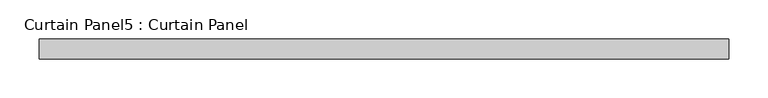
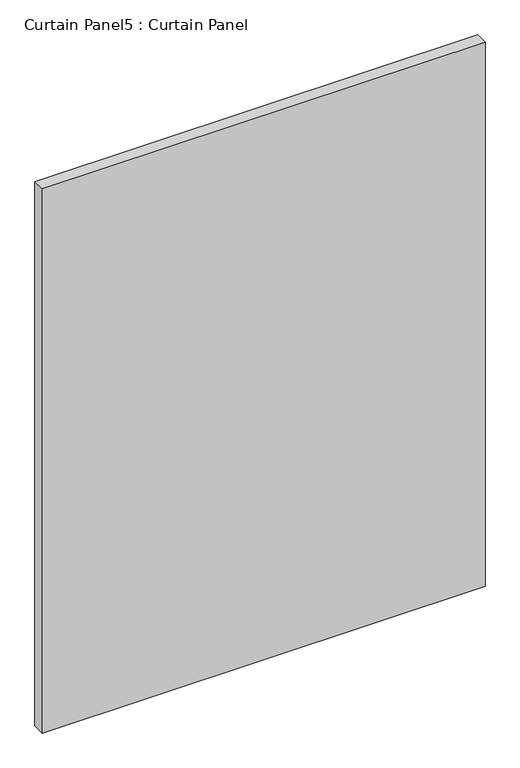
"""IFC4 building model written with IfcOpenShell, lengths in millimetres: plate geometry, Curtain Panel5 : Curtain Panel."""

import ifcopenshell
import ifcopenshell.guid

model = None  # the IFC model being written
_history = None  # IfcOwnerHistory: only IFC2X3 demands one
_inside = {}  # id of a spatial element -> (the spatial element, [elements in it])
_under = {}  # id of a project, library or spatial element -> (it, [spatial elements below it])
_declared = {}  # id of a project -> (the project, [libraries it declares])
_typed = {}  # id of a type object -> (the type object, [elements of that type])
_made_of = {}  # id of a material, layer set ... -> (it, [elements and type objects made of it])


def new_model(schema):
    """Start an empty IFC model of exactly this schema.

    Asked for "IFC4X3", IfcOpenShell would pick the latest addendum, in which some entities
    have other attributes; the version numbers below select the first issue.
    IFC2X3 requires an IfcOwnerHistory on every rooted entity: one is made here for all.
    """
    global model, _history
    if schema == "IFC4X3":
        model = ifcopenshell.file(schema_version=(4, 3, 0, 0))
    else:
        model = ifcopenshell.file(schema=schema)
    _inside.clear()
    _under.clear()
    _declared.clear()
    _typed.clear()
    _made_of.clear()
    _history = None
    if model.schema == "IFC2X3":
        org = make("IfcOrganization", Name="unknown")
        user = make(
            "IfcPersonAndOrganization",
            ThePerson=make("IfcPerson", FamilyName="unknown"),
            TheOrganization=org,
        )
        app = make(
            "IfcApplication",
            ApplicationDeveloper=org,
            Version="unknown",
            ApplicationFullName="unknown",
            ApplicationIdentifier="unknown",
        )
        _history = make(
            "IfcOwnerHistory",
            OwningUser=user,
            OwningApplication=app,
            ChangeAction="ADDED",
            CreationDate=0,
        )
    return model


def make(cls, **values):
    """One entity of the class cls with the attributes given. An attribute that is None is left unset."""
    return model.create_entity(
        cls, **{name: value for name, value in values.items() if value is not None}
    )


def rooted(cls, **values):
    """An entity with a GlobalId (a new one), such as an element, a storey or a relation."""
    return make(cls, GlobalId=ifcopenshell.guid.new(), OwnerHistory=_history, **values)


def si_unit(unit_type, name, prefix=None):
    """IfcSIUnit, for example si_unit("LENGTHUNIT", "METRE", prefix="MILLI")."""
    return make("IfcSIUnit", UnitType=unit_type, Prefix=prefix, Name=name)


def assignment(units):
    """IfcUnitAssignment: the units of a project."""
    return None if units is None else make("IfcUnitAssignment", Units=units)


def point(xyz):
    """IfcCartesianPoint."""
    return None if xyz is None else make("IfcCartesianPoint", Coordinates=xyz)


def direction(xyz):
    """IfcDirection."""
    return None if xyz is None else make("IfcDirection", DirectionRatios=xyz)


def frame(location, z_axis=None, x_axis=None):
    """IfcAxis2Placement3D, a coordinate frame: its origin and axes. An axis left out is left unset."""
    return make(
        "IfcAxis2Placement3D",
        Location=point(location),
        Axis=direction(z_axis),
        RefDirection=direction(x_axis),
    )


def origin():
    """The frame at (0, 0, 0) with its axes left unset."""
    return frame((0.0, 0.0, 0.0))


def place(relative_to, where):
    """IfcLocalPlacement: puts the frame where relative to a parent placement (None: the world)."""
    return make(
        "IfcLocalPlacement", PlacementRelTo=relative_to, RelativePlacement=where
    )


def context(
    kind, dimensions, precision=None, world=None, true_north=None, identifier=None
):
    """IfcGeometricRepresentationContext, for example the 3D "Model" context."""
    return make(
        "IfcGeometricRepresentationContext",
        ContextIdentifier=identifier,
        ContextType=kind,
        CoordinateSpaceDimension=dimensions,
        Precision=precision,
        WorldCoordinateSystem=world,
        TrueNorth=true_north,
    )


def project(units=None, contexts=None):
    """IfcProject with its units and contexts."""
    return rooted(
        "IfcProject",
        Name="project",
        RepresentationContexts=contexts,
        UnitsInContext=assignment(units),
    )


def spatial(cls, under=None, at=None, **own):
    """A site, building, storey or space (cls), placed at a placement, below another one or the project."""
    s = rooted(cls, ObjectPlacement=at, **own)
    if under is not None:
        _under.setdefault(under.id(), (under, []))[1].append(s)
    return s


def polyline(points):
    """IfcPolyline through the points."""
    return make("IfcPolyline", Points=[point(p) for p in points])


def outline(outer, holes=None, kind="AREA"):
    """IfcArbitraryClosedProfileDef: a profile drawn as a closed curve; with holes, ...WithVoids."""
    if holes is None:
        return make("IfcArbitraryClosedProfileDef", ProfileType=kind, OuterCurve=outer)
    return make(
        "IfcArbitraryProfileDefWithVoids",
        ProfileType=kind,
        OuterCurve=outer,
        InnerCurves=holes,
    )


def extrude(swept, where, along, depth):
    """IfcExtrudedAreaSolid: the profile swept, set in the frame where, extruded along a direction by depth."""
    return make(
        "IfcExtrudedAreaSolid",
        SweptArea=swept,
        Position=where,
        ExtrudedDirection=direction(along),
        Depth=depth,
    )


def shape(context_of_items, identifier, shape_type, items):
    """IfcShapeRepresentation: the items that make up one representation, for example the "Body"."""
    return make(
        "IfcShapeRepresentation",
        ContextOfItems=context_of_items,
        RepresentationIdentifier=identifier,
        RepresentationType=shape_type,
        Items=items,
    )


def source(mapping_origin, context_of_items, identifier, shape_type, items):
    """IfcRepresentationMap: a shape defined once, which mapped items show again and again."""
    return make(
        "IfcRepresentationMap",
        MappingOrigin=mapping_origin,
        MappedRepresentation=shape(context_of_items, identifier, shape_type, items),
    )


def transform(
    local_origin,
    x_axis=None,
    y_axis=None,
    z_axis=None,
    scale=None,
    scale2=None,
    scale3=None,
    uniform=True,
):
    """IfcCartesianTransformationOperator3D, or its non-uniform kind. x_axis, y_axis, z_axis: its Axis1, 2, 3."""
    if uniform:
        return make(
            "IfcCartesianTransformationOperator3D",
            Axis1=direction(x_axis),
            Axis2=direction(y_axis),
            LocalOrigin=point(local_origin),
            Scale=scale,
            Axis3=direction(z_axis),
        )
    return make(
        "IfcCartesianTransformationOperator3DnonUniform",
        Axis1=direction(x_axis),
        Axis2=direction(y_axis),
        LocalOrigin=point(local_origin),
        Scale=scale,
        Axis3=direction(z_axis),
        Scale2=scale2,
        Scale3=scale3,
    )


def mapped(mapping_source, mapping_target):
    """IfcMappedItem: shows the shape of a source again, moved by a transform."""
    return make(
        "IfcMappedItem", MappingSource=mapping_source, MappingTarget=mapping_target
    )


def made_of(thing, what):
    """Note that an element or type object is made of a material, layer set ...; save() writes the relation."""
    if what is not None:
        _made_of.setdefault(what.id(), (what, []))[1].append(thing)
    return thing


def element(
    cls,
    number,
    at=None,
    inside=None,
    cuts=None,
    type_object=None,
    material=None,
    context=None,
    identifier="Body",
    shape_type=None,
    held_by="IfcProductDefinitionShape",
    body=None,
    shapes=None,
    **own,
):
    """One element of the class cls, such as IfcWall. Its Tag is "e" and its number.

    at: its placement. inside: the storey or other place that contains it. cuts: it is an
    opening in that element (IfcRelVoidsElement). A single representation is given by context,
    identifier, shape_type and body (its items); several are given by shapes. held_by: the class
    of the entity that holds the representations. save() writes the other relations.
    """
    e = rooted(cls, Tag="e%d" % number, ObjectPlacement=at, **own)
    if body is not None:
        shapes = [shape(context, identifier, shape_type, body)]
    if shapes is not None:
        e.Representation = make(held_by, Representations=shapes)
    if inside is not None:
        _inside.setdefault(inside.id(), (inside, []))[1].append(e)
    if cuts is not None:
        rooted(
            "IfcRelVoidsElement", RelatingBuildingElement=cuts, RelatedOpeningElement=e
        )
    if type_object is not None:
        _typed.setdefault(type_object.id(), (type_object, []))[1].append(e)
    return made_of(e, material)


def aggregate(whole, parts):
    """IfcRelAggregates: a whole, such as a stair, and the parts it consists of."""
    return rooted("IfcRelAggregates", RelatingObject=whole, RelatedObjects=parts)


def save(model, path):
    """Write the relations noted so far, then the file.

    IfcRelAggregates (storeys below a building ...), IfcRelContainedInSpatialStructure (elements
    in a storey), IfcRelDefinesByType, IfcRelAssociatesMaterial and IfcRelDeclares: one each for
    every whole, place, type object, material and project.
    """
    for whole, parts in _under.values():
        aggregate(whole, parts)
    for where, things in _inside.values():
        rooted(
            "IfcRelContainedInSpatialStructure",
            RelatedElements=things,
            RelatingStructure=where,
        )
    for kind, things in _typed.values():
        rooted("IfcRelDefinesByType", RelatedObjects=things, RelatingType=kind)
    for what, things in _made_of.values():
        rooted("IfcRelAssociatesMaterial", RelatedObjects=things, RelatingMaterial=what)
    for by, libraries in _declared.values():
        rooted("IfcRelDeclares", RelatingContext=by, RelatedDefinitions=libraries)
    model.write(path)


def curtain_panel5_curtain_panel_7c51ac9e(model_context):
    return source(origin(), model_context, "Body", "SweptSolid", [
        extrude(outline(polyline([(-176737.9628689, 4757.6387985), (-177617.4378689, 4757.6387985), (-177617.4378689, 4783.0387985), (-176737.9628689, 4783.0387985), (-176737.9628689, 4757.6387985)])), frame((0.0, 0.0, 2455.8625), z_axis=(0.0, 0.0, 1.0), x_axis=(1.0, 0.0, 0.0)), (0.0, 0.0, 1.0), 1143.0),
    ])


if __name__ == "__main__":
    model = new_model("IFC4")
    model_context = context("Model", 3, world=origin())
    ifc_project = project(units=[si_unit("LENGTHUNIT", "METRE", prefix="MILLI")], contexts=[model_context])
    site = spatial("IfcSite", under=ifc_project)
    building = spatial("IfcBuilding", under=site)
    placement = place(None, origin())
    curtain_panel5_curtain_panel_shape = curtain_panel5_curtain_panel_7c51ac9e(model_context)
    element("IfcPlate", 1, ObjectType="Curtain Panel5 : Curtain Panel", at=placement, inside=building, context=model_context, shape_type="MappedRepresentation", body=[
        mapped(curtain_panel5_curtain_panel_shape, transform((0.0, 0.0, 0.0), x_axis=(1.0, 0.0, 0.0), y_axis=(0.0, 1.0, 0.0), z_axis=(0.0, 0.0, 1.0))),
    ])
    save(model, "model.ifc")
